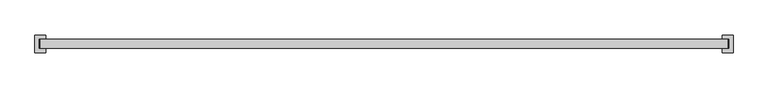
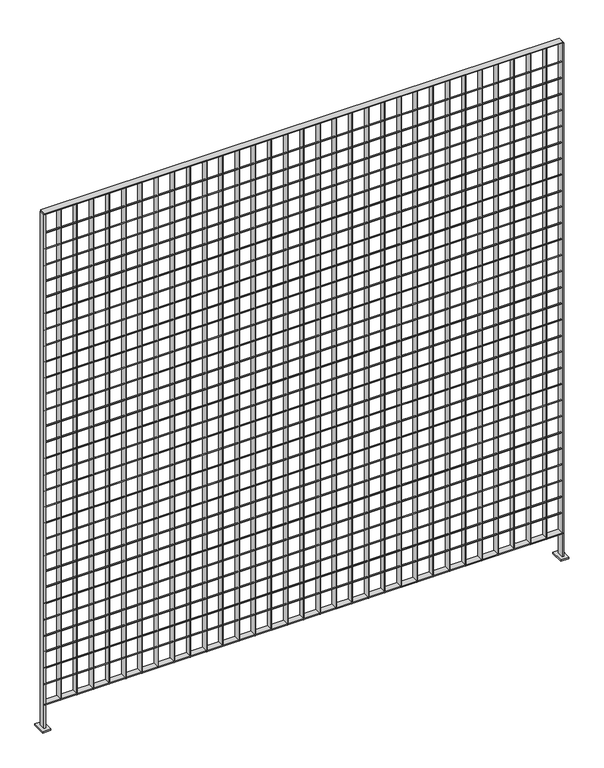
"""IFC4 building model written with IfcOpenShell, lengths in millimetres: railing geometry."""

from ifc_helpers import new_model, si_unit, point, frame, frame_2d, origin, place, context, project, spatial, polyline, circle_curve, trimmed, segment, composite_curve, outline, extrude, source, transform, mapped, element, save


def railing_5c856456(model_context):
    return source(origin(), model_context, "Body", "SweptSolid", [
        extrude(outline(polyline([(-15096.6859548, -1094.0014627), (-15096.6859548, -1068.6014627), (-13115.4859548, -1068.6014627), (-13115.4859548, -1094.0014627), (-15096.6859548, -1094.0014627)])), frame((0.0, 0.0, 7718.510725), z_axis=(0.0, 0.0, 1.0), x_axis=(1.0, 0.0, 0.0)), (0.0, 0.0, 1.0), 3.7973),
        extrude(outline(composite_curve([segment(trimmed(circle_curve(frame_2d((-1087.6514627, 7800.18125)), 2.0574), [point((-1085.5940627, 7800.18125))], [point((-1089.7088627, 7800.18125))], False, "CARTESIAN"), True, "CONTINUOUS"), segment(trimmed(circle_curve(frame_2d((-1087.6514627, 7800.18125)), 2.0574), [point((-1089.7088627, 7800.18125))], [point((-1085.5940627, 7800.18125))], False, "CARTESIAN"), True, "CONTINUOUS")], self_intersect=False)), frame((-15096.6859548, 0.0, 0.0), z_axis=(1.0, 0.0, 0.0), x_axis=(0.0, 1.0, 0.0)), (0.0, 0.0, 1.0), 1981.2),
        extrude(outline(composite_curve([segment(trimmed(circle_curve(frame_2d((-1087.6514627, 7865.26875)), 2.0574), [point((-1085.5940627, 7865.26875))], [point((-1089.7088627, 7865.26875))], False, "CARTESIAN"), True, "CONTINUOUS"), segment(trimmed(circle_curve(frame_2d((-1087.6514627, 7865.26875)), 2.0574), [point((-1089.7088627, 7865.26875))], [point((-1085.5940627, 7865.26875))], False, "CARTESIAN"), True, "CONTINUOUS")], self_intersect=False)), frame((-15096.6859548, 0.0, 0.0), z_axis=(1.0, 0.0, 0.0), x_axis=(0.0, 1.0, 0.0)), (0.0, 0.0, 1.0), 1981.2),
        extrude(outline(composite_curve([segment(trimmed(circle_curve(frame_2d((-1087.6514627, 7930.35625)), 2.0574), [point((-1085.5940627, 7930.35625))], [point((-1089.7088627, 7930.35625))], False, "CARTESIAN"), True, "CONTINUOUS"), segment(trimmed(circle_curve(frame_2d((-1087.6514627, 7930.35625)), 2.0574), [point((-1089.7088627, 7930.35625))], [point((-1085.5940627, 7930.35625))], False, "CARTESIAN"), True, "CONTINUOUS")], self_intersect=False)), frame((-15096.6859548, 0.0, 0.0), z_axis=(1.0, 0.0, 0.0), x_axis=(0.0, 1.0, 0.0)), (0.0, 0.0, 1.0), 1981.2),
        extrude(outline(composite_curve([segment(trimmed(circle_curve(frame_2d((-1087.6514627, 7995.44375)), 2.0574), [point((-1085.5940627, 7995.44375))], [point((-1089.7088627, 7995.44375))], False, "CARTESIAN"), True, "CONTINUOUS"), segment(trimmed(circle_curve(frame_2d((-1087.6514627, 7995.44375)), 2.0574), [point((-1089.7088627, 7995.44375))], [point((-1085.5940627, 7995.44375))], False, "CARTESIAN"), True, "CONTINUOUS")], self_intersect=False)), frame((-15096.6859548, 0.0, 0.0), z_axis=(1.0, 0.0, 0.0), x_axis=(0.0, 1.0, 0.0)), (0.0, 0.0, 1.0), 1981.2),
        extrude(outline(composite_curve([segment(trimmed(circle_curve(frame_2d((-1087.6514627, 8060.53125)), 2.0574), [point((-1085.5940627, 8060.53125))], [point((-1089.7088627, 8060.53125))], False, "CARTESIAN"), True, "CONTINUOUS"), segment(trimmed(circle_curve(frame_2d((-1087.6514627, 8060.53125)), 2.0574), [point((-1089.7088627, 8060.53125))], [point((-1085.5940627, 8060.53125))], False, "CARTESIAN"), True, "CONTINUOUS")], self_intersect=False)), frame((-15096.6859548, 0.0, 0.0), z_axis=(1.0, 0.0, 0.0), x_axis=(0.0, 1.0, 0.0)), (0.0, 0.0, 1.0), 1981.2),
        extrude(outline(composite_curve([segment(trimmed(circle_curve(frame_2d((-1087.6514627, 8125.61875)), 2.0574), [point((-1085.5940627, 8125.61875))], [point((-1089.7088627, 8125.61875))], False, "CARTESIAN"), True, "CONTINUOUS"), segment(trimmed(circle_curve(frame_2d((-1087.6514627, 8125.61875)), 2.0574), [point((-1089.7088627, 8125.61875))], [point((-1085.5940627, 8125.61875))], False, "CARTESIAN"), True, "CONTINUOUS")], self_intersect=False)), frame((-15096.6859548, 0.0, 0.0), z_axis=(1.0, 0.0, 0.0), x_axis=(0.0, 1.0, 0.0)), (0.0, 0.0, 1.0), 1981.2),
        extrude(outline(composite_curve([segment(trimmed(circle_curve(frame_2d((-1087.6514627, 8190.70625)), 2.0574), [point((-1085.5940627, 8190.70625))], [point((-1089.7088627, 8190.70625))], False, "CARTESIAN"), True, "CONTINUOUS"), segment(trimmed(circle_curve(frame_2d((-1087.6514627, 8190.70625)), 2.0574), [point((-1089.7088627, 8190.70625))], [point((-1085.5940627, 8190.70625))], False, "CARTESIAN"), True, "CONTINUOUS")], self_intersect=False)), frame((-15096.6859548, 0.0, 0.0), z_axis=(1.0, 0.0, 0.0), x_axis=(0.0, 1.0, 0.0)), (0.0, 0.0, 1.0), 1981.2),
        extrude(outline(composite_curve([segment(trimmed(circle_curve(frame_2d((-1087.6514627, 8255.79375)), 2.0574), [point((-1085.5940627, 8255.79375))], [point((-1089.7088627, 8255.79375))], False, "CARTESIAN"), True, "CONTINUOUS"), segment(trimmed(circle_curve(frame_2d((-1087.6514627, 8255.79375)), 2.0574), [point((-1089.7088627, 8255.79375))], [point((-1085.5940627, 8255.79375))], False, "CARTESIAN"), True, "CONTINUOUS")], self_intersect=False)), frame((-15096.6859548, 0.0, 0.0), z_axis=(1.0, 0.0, 0.0), x_axis=(0.0, 1.0, 0.0)), (0.0, 0.0, 1.0), 1981.2),
        extrude(outline(composite_curve([segment(trimmed(circle_curve(frame_2d((-1087.6514627, 8320.88125)), 2.0574), [point((-1085.5940627, 8320.88125))], [point((-1089.7088627, 8320.88125))], False, "CARTESIAN"), True, "CONTINUOUS"), segment(trimmed(circle_curve(frame_2d((-1087.6514627, 8320.88125)), 2.0574), [point((-1089.7088627, 8320.88125))], [point((-1085.5940627, 8320.88125))], False, "CARTESIAN"), True, "CONTINUOUS")], self_intersect=False)), frame((-15096.6859548, 0.0, 0.0), z_axis=(1.0, 0.0, 0.0), x_axis=(0.0, 1.0, 0.0)), (0.0, 0.0, 1.0), 1981.2),
        extrude(outline(composite_curve([segment(trimmed(circle_curve(frame_2d((-1087.6514627, 8385.96875)), 2.0574), [point((-1085.5940627, 8385.96875))], [point((-1089.7088627, 8385.96875))], False, "CARTESIAN"), True, "CONTINUOUS"), segment(trimmed(circle_curve(frame_2d((-1087.6514627, 8385.96875)), 2.0574), [point((-1089.7088627, 8385.96875))], [point((-1085.5940627, 8385.96875))], False, "CARTESIAN"), True, "CONTINUOUS")], self_intersect=False)), frame((-15096.6859548, 0.0, 0.0), z_axis=(1.0, 0.0, 0.0), x_axis=(0.0, 1.0, 0.0)), (0.0, 0.0, 1.0), 1981.2),
        extrude(outline(composite_curve([segment(trimmed(circle_curve(frame_2d((-1087.6514627, 8451.05625)), 2.0574), [point((-1085.5940627, 8451.05625))], [point((-1089.7088627, 8451.05625))], False, "CARTESIAN"), True, "CONTINUOUS"), segment(trimmed(circle_curve(frame_2d((-1087.6514627, 8451.05625)), 2.0574), [point((-1089.7088627, 8451.05625))], [point((-1085.5940627, 8451.05625))], False, "CARTESIAN"), True, "CONTINUOUS")], self_intersect=False)), frame((-15096.6859548, 0.0, 0.0), z_axis=(1.0, 0.0, 0.0), x_axis=(0.0, 1.0, 0.0)), (0.0, 0.0, 1.0), 1981.2),
        extrude(outline(composite_curve([segment(trimmed(circle_curve(frame_2d((-1087.6514627, 8515.35)), 2.0574), [point((-1085.5940627, 8515.35))], [point((-1089.7088627, 8515.35))], False, "CARTESIAN"), True, "CONTINUOUS"), segment(trimmed(circle_curve(frame_2d((-1087.6514627, 8515.35)), 2.0574), [point((-1089.7088627, 8515.35))], [point((-1085.5940627, 8515.35))], False, "CARTESIAN"), True, "CONTINUOUS")], self_intersect=False)), frame((-15096.6859548, 0.0, 0.0), z_axis=(1.0, 0.0, 0.0), x_axis=(0.0, 1.0, 0.0)), (0.0, 0.0, 1.0), 1981.2),
        extrude(outline(composite_curve([segment(trimmed(circle_curve(frame_2d((-1087.6514627, 8581.23125)), 2.0574), [point((-1085.5940627, 8581.23125))], [point((-1089.7088627, 8581.23125))], False, "CARTESIAN"), True, "CONTINUOUS"), segment(trimmed(circle_curve(frame_2d((-1087.6514627, 8581.23125)), 2.0574), [point((-1089.7088627, 8581.23125))], [point((-1085.5940627, 8581.23125))], False, "CARTESIAN"), True, "CONTINUOUS")], self_intersect=False)), frame((-15096.6859548, 0.0, 0.0), z_axis=(1.0, 0.0, 0.0), x_axis=(0.0, 1.0, 0.0)), (0.0, 0.0, 1.0), 1981.2),
        extrude(outline(composite_curve([segment(trimmed(circle_curve(frame_2d((-1087.6514627, 8646.31875)), 2.0574), [point((-1085.5940627, 8646.31875))], [point((-1089.7088627, 8646.31875))], False, "CARTESIAN"), True, "CONTINUOUS"), segment(trimmed(circle_curve(frame_2d((-1087.6514627, 8646.31875)), 2.0574), [point((-1089.7088627, 8646.31875))], [point((-1085.5940627, 8646.31875))], False, "CARTESIAN"), True, "CONTINUOUS")], self_intersect=False)), frame((-15096.6859548, 0.0, 0.0), z_axis=(1.0, 0.0, 0.0), x_axis=(0.0, 1.0, 0.0)), (0.0, 0.0, 1.0), 1981.2),
        extrude(outline(composite_curve([segment(trimmed(circle_curve(frame_2d((-1087.6514627, 8711.40625)), 2.0574), [point((-1085.5940627, 8711.40625))], [point((-1089.7088627, 8711.40625))], False, "CARTESIAN"), True, "CONTINUOUS"), segment(trimmed(circle_curve(frame_2d((-1087.6514627, 8711.40625)), 2.0574), [point((-1089.7088627, 8711.40625))], [point((-1085.5940627, 8711.40625))], False, "CARTESIAN"), True, "CONTINUOUS")], self_intersect=False)), frame((-15096.6859548, 0.0, 0.0), z_axis=(1.0, 0.0, 0.0), x_axis=(0.0, 1.0, 0.0)), (0.0, 0.0, 1.0), 1981.2),
        extrude(outline(composite_curve([segment(trimmed(circle_curve(frame_2d((-1087.6514627, 8776.49375)), 2.0574), [point((-1085.5940627, 8776.49375))], [point((-1089.7088627, 8776.49375))], False, "CARTESIAN"), True, "CONTINUOUS"), segment(trimmed(circle_curve(frame_2d((-1087.6514627, 8776.49375)), 2.0574), [point((-1089.7088627, 8776.49375))], [point((-1085.5940627, 8776.49375))], False, "CARTESIAN"), True, "CONTINUOUS")], self_intersect=False)), frame((-15096.6859548, 0.0, 0.0), z_axis=(1.0, 0.0, 0.0), x_axis=(0.0, 1.0, 0.0)), (0.0, 0.0, 1.0), 1981.2),
        extrude(outline(composite_curve([segment(trimmed(circle_curve(frame_2d((-1087.6514627, 8841.58125)), 2.0574), [point((-1085.5940627, 8841.58125))], [point((-1089.7088627, 8841.58125))], False, "CARTESIAN"), True, "CONTINUOUS"), segment(trimmed(circle_curve(frame_2d((-1087.6514627, 8841.58125)), 2.0574), [point((-1089.7088627, 8841.58125))], [point((-1085.5940627, 8841.58125))], False, "CARTESIAN"), True, "CONTINUOUS")], self_intersect=False)), frame((-15096.6859548, 0.0, 0.0), z_axis=(1.0, 0.0, 0.0), x_axis=(0.0, 1.0, 0.0)), (0.0, 0.0, 1.0), 1981.2),
        extrude(outline(composite_curve([segment(trimmed(circle_curve(frame_2d((-1087.6514627, 8906.66875)), 2.0574), [point((-1085.5940627, 8906.66875))], [point((-1089.7088627, 8906.66875))], False, "CARTESIAN"), True, "CONTINUOUS"), segment(trimmed(circle_curve(frame_2d((-1087.6514627, 8906.66875)), 2.0574), [point((-1089.7088627, 8906.66875))], [point((-1085.5940627, 8906.66875))], False, "CARTESIAN"), True, "CONTINUOUS")], self_intersect=False)), frame((-15096.6859548, 0.0, 0.0), z_axis=(1.0, 0.0, 0.0), x_axis=(0.0, 1.0, 0.0)), (0.0, 0.0, 1.0), 1981.2),
        extrude(outline(composite_curve([segment(trimmed(circle_curve(frame_2d((-1087.6514627, 8971.75625)), 2.0574), [point((-1085.5940627, 8971.75625))], [point((-1089.7088627, 8971.75625))], False, "CARTESIAN"), True, "CONTINUOUS"), segment(trimmed(circle_curve(frame_2d((-1087.6514627, 8971.75625)), 2.0574), [point((-1089.7088627, 8971.75625))], [point((-1085.5940627, 8971.75625))], False, "CARTESIAN"), True, "CONTINUOUS")], self_intersect=False)), frame((-15096.6859548, 0.0, 0.0), z_axis=(1.0, 0.0, 0.0), x_axis=(0.0, 1.0, 0.0)), (0.0, 0.0, 1.0), 1981.2),
        extrude(outline(composite_curve([segment(trimmed(circle_curve(frame_2d((-1087.6514627, 9036.84375)), 2.0574), [point((-1085.5940627, 9036.84375))], [point((-1089.7088627, 9036.84375))], False, "CARTESIAN"), True, "CONTINUOUS"), segment(trimmed(circle_curve(frame_2d((-1087.6514627, 9036.84375)), 2.0574), [point((-1089.7088627, 9036.84375))], [point((-1085.5940627, 9036.84375))], False, "CARTESIAN"), True, "CONTINUOUS")], self_intersect=False)), frame((-15096.6859548, 0.0, 0.0), z_axis=(1.0, 0.0, 0.0), x_axis=(0.0, 1.0, 0.0)), (0.0, 0.0, 1.0), 1981.2),
        extrude(outline(composite_curve([segment(trimmed(circle_curve(frame_2d((-1087.6514627, 9101.1375)), 2.0574), [point((-1085.5940627, 9101.1375))], [point((-1089.7088627, 9101.1375))], False, "CARTESIAN"), True, "CONTINUOUS"), segment(trimmed(circle_curve(frame_2d((-1087.6514627, 9101.1375)), 2.0574), [point((-1089.7088627, 9101.1375))], [point((-1085.5940627, 9101.1375))], False, "CARTESIAN"), True, "CONTINUOUS")], self_intersect=False)), frame((-15096.6859548, 0.0, 0.0), z_axis=(1.0, 0.0, 0.0), x_axis=(0.0, 1.0, 0.0)), (0.0, 0.0, 1.0), 1981.2),
        extrude(outline(composite_curve([segment(trimmed(circle_curve(frame_2d((-1087.6514627, 9167.01875)), 2.0574), [point((-1085.5940627, 9167.01875))], [point((-1089.7088627, 9167.01875))], False, "CARTESIAN"), True, "CONTINUOUS"), segment(trimmed(circle_curve(frame_2d((-1087.6514627, 9167.01875)), 2.0574), [point((-1089.7088627, 9167.01875))], [point((-1085.5940627, 9167.01875))], False, "CARTESIAN"), True, "CONTINUOUS")], self_intersect=False)), frame((-15096.6859548, 0.0, 0.0), z_axis=(1.0, 0.0, 0.0), x_axis=(0.0, 1.0, 0.0)), (0.0, 0.0, 1.0), 1981.2),
        extrude(outline(composite_curve([segment(trimmed(circle_curve(frame_2d((-1087.6514627, 9232.10625)), 2.0574), [point((-1085.5940627, 9232.10625))], [point((-1089.7088627, 9232.10625))], False, "CARTESIAN"), True, "CONTINUOUS"), segment(trimmed(circle_curve(frame_2d((-1087.6514627, 9232.10625)), 2.0574), [point((-1089.7088627, 9232.10625))], [point((-1085.5940627, 9232.10625))], False, "CARTESIAN"), True, "CONTINUOUS")], self_intersect=False)), frame((-15096.6859548, 0.0, 0.0), z_axis=(1.0, 0.0, 0.0), x_axis=(0.0, 1.0, 0.0)), (0.0, 0.0, 1.0), 1981.2),
        extrude(outline(composite_curve([segment(trimmed(circle_curve(frame_2d((-1087.6514627, 9297.19375)), 2.0574), [point((-1085.5940627, 9297.19375))], [point((-1089.7088627, 9297.19375))], False, "CARTESIAN"), True, "CONTINUOUS"), segment(trimmed(circle_curve(frame_2d((-1087.6514627, 9297.19375)), 2.0574), [point((-1089.7088627, 9297.19375))], [point((-1085.5940627, 9297.19375))], False, "CARTESIAN"), True, "CONTINUOUS")], self_intersect=False)), frame((-15096.6859548, 0.0, 0.0), z_axis=(1.0, 0.0, 0.0), x_axis=(0.0, 1.0, 0.0)), (0.0, 0.0, 1.0), 1981.2),
        extrude(outline(composite_curve([segment(trimmed(circle_curve(frame_2d((-1087.6514627, 9362.28125)), 2.0574), [point((-1085.5940627, 9362.28125))], [point((-1089.7088627, 9362.28125))], False, "CARTESIAN"), True, "CONTINUOUS"), segment(trimmed(circle_curve(frame_2d((-1087.6514627, 9362.28125)), 2.0574), [point((-1089.7088627, 9362.28125))], [point((-1085.5940627, 9362.28125))], False, "CARTESIAN"), True, "CONTINUOUS")], self_intersect=False)), frame((-15096.6859548, 0.0, 0.0), z_axis=(1.0, 0.0, 0.0), x_axis=(0.0, 1.0, 0.0)), (0.0, 0.0, 1.0), 1981.2),
        extrude(outline(composite_curve([segment(trimmed(circle_curve(frame_2d((-1087.6514627, 9427.36875)), 2.0574), [point((-1085.5940627, 9427.36875))], [point((-1089.7088627, 9427.36875))], False, "CARTESIAN"), True, "CONTINUOUS"), segment(trimmed(circle_curve(frame_2d((-1087.6514627, 9427.36875)), 2.0574), [point((-1089.7088627, 9427.36875))], [point((-1085.5940627, 9427.36875))], False, "CARTESIAN"), True, "CONTINUOUS")], self_intersect=False)), frame((-15096.6859548, 0.0, 0.0), z_axis=(1.0, 0.0, 0.0), x_axis=(0.0, 1.0, 0.0)), (0.0, 0.0, 1.0), 1981.2),
        extrude(outline(composite_curve([segment(trimmed(circle_curve(frame_2d((-1087.6514627, 9492.45625)), 2.0574), [point((-1085.5940627, 9492.45625))], [point((-1089.7088627, 9492.45625))], False, "CARTESIAN"), True, "CONTINUOUS"), segment(trimmed(circle_curve(frame_2d((-1087.6514627, 9492.45625)), 2.0574), [point((-1089.7088627, 9492.45625))], [point((-1085.5940627, 9492.45625))], False, "CARTESIAN"), True, "CONTINUOUS")], self_intersect=False)), frame((-15096.6859548, 0.0, 0.0), z_axis=(1.0, 0.0, 0.0), x_axis=(0.0, 1.0, 0.0)), (0.0, 0.0, 1.0), 1981.2),
        extrude(outline(composite_curve([segment(trimmed(circle_curve(frame_2d((-1087.6514627, 9557.54375)), 2.0574), [point((-1085.5940627, 9557.54375))], [point((-1089.7088627, 9557.54375))], False, "CARTESIAN"), True, "CONTINUOUS"), segment(trimmed(circle_curve(frame_2d((-1087.6514627, 9557.54375)), 2.0574), [point((-1089.7088627, 9557.54375))], [point((-1085.5940627, 9557.54375))], False, "CARTESIAN"), True, "CONTINUOUS")], self_intersect=False)), frame((-15096.6859548, 0.0, 0.0), z_axis=(1.0, 0.0, 0.0), x_axis=(0.0, 1.0, 0.0)), (0.0, 0.0, 1.0), 1981.2),
        extrude(outline(composite_curve([segment(trimmed(circle_curve(frame_2d((-1087.6514627, 9622.63125)), 2.0574), [point((-1085.5940627, 9622.63125))], [point((-1089.7088627, 9622.63125))], False, "CARTESIAN"), True, "CONTINUOUS"), segment(trimmed(circle_curve(frame_2d((-1087.6514627, 9622.63125)), 2.0574), [point((-1089.7088627, 9622.63125))], [point((-1085.5940627, 9622.63125))], False, "CARTESIAN"), True, "CONTINUOUS")], self_intersect=False)), frame((-15096.6859548, 0.0, 0.0), z_axis=(1.0, 0.0, 0.0), x_axis=(0.0, 1.0, 0.0)), (0.0, 0.0, 1.0), 1981.2),
        extrude(outline(polyline([(-15096.6859548, -1094.0014627), (-15096.6859548, -1068.6014627), (-13115.4859548, -1068.6014627), (-13115.4859548, -1094.0014627), (-15096.6859548, -1094.0014627)])), frame((0.0, 0.0, 9700.90135), z_axis=(0.0, 0.0, 1.0), x_axis=(1.0, 0.0, 0.0)), (0.0, 0.0, 1.0), 3.7973),
        extrude(outline(polyline([(-13176.4497648, -1094.0014627), (-13178.3471448, -1094.0014627), (-13178.3471448, -1068.6014627), (-13176.4497648, -1068.6014627), (-13176.4497648, -1094.0014627)])), frame((0.0, 0.0, 7718.425), z_axis=(0.0, 0.0, 1.0), x_axis=(1.0, 0.0, 0.0)), (0.0, 0.0, 1.0), 1982.47635),
        extrude(outline(polyline([(-13238.3622648, -1094.0014627), (-13240.2596448, -1094.0014627), (-13240.2596448, -1068.6014627), (-13238.3622648, -1068.6014627), (-13238.3622648, -1094.0014627)])), frame((0.0, 0.0, 7718.425), z_axis=(0.0, 0.0, 1.0), x_axis=(1.0, 0.0, 0.0)), (0.0, 0.0, 1.0), 1982.47635),
        extrude(outline(polyline([(-13300.2747648, -1094.0014627), (-13302.1721448, -1094.0014627), (-13302.1721448, -1068.6014627), (-13300.2747648, -1068.6014627), (-13300.2747648, -1094.0014627)])), frame((0.0, 0.0, 7718.425), z_axis=(0.0, 0.0, 1.0), x_axis=(1.0, 0.0, 0.0)), (0.0, 0.0, 1.0), 1982.47635),
        extrude(outline(polyline([(-13362.1872648, -1094.0014627), (-13364.0846448, -1094.0014627), (-13364.0846448, -1068.6014627), (-13362.1872648, -1068.6014627), (-13362.1872648, -1094.0014627)])), frame((0.0, 0.0, 7718.425), z_axis=(0.0, 0.0, 1.0), x_axis=(1.0, 0.0, 0.0)), (0.0, 0.0, 1.0), 1982.47635),
        extrude(outline(polyline([(-13424.0997648, -1094.0014627), (-13425.9971448, -1094.0014627), (-13425.9971448, -1068.6014627), (-13424.0997648, -1068.6014627), (-13424.0997648, -1094.0014627)])), frame((0.0, 0.0, 7718.425), z_axis=(0.0, 0.0, 1.0), x_axis=(1.0, 0.0, 0.0)), (0.0, 0.0, 1.0), 1982.47635),
        extrude(outline(polyline([(-13486.0122648, -1094.0014627), (-13487.9096448, -1094.0014627), (-13487.9096448, -1068.6014627), (-13486.0122648, -1068.6014627), (-13486.0122648, -1094.0014627)])), frame((0.0, 0.0, 7718.425), z_axis=(0.0, 0.0, 1.0), x_axis=(1.0, 0.0, 0.0)), (0.0, 0.0, 1.0), 1982.47635),
        extrude(outline(polyline([(-13547.9247648, -1094.0014627), (-13549.8221448, -1094.0014627), (-13549.8221448, -1068.6014627), (-13547.9247648, -1068.6014627), (-13547.9247648, -1094.0014627)])), frame((0.0, 0.0, 7718.425), z_axis=(0.0, 0.0, 1.0), x_axis=(1.0, 0.0, 0.0)), (0.0, 0.0, 1.0), 1982.47635),
        extrude(outline(polyline([(-13609.8372648, -1094.0014627), (-13611.7346448, -1094.0014627), (-13611.7346448, -1068.6014627), (-13609.8372648, -1068.6014627), (-13609.8372648, -1094.0014627)])), frame((0.0, 0.0, 7718.425), z_axis=(0.0, 0.0, 1.0), x_axis=(1.0, 0.0, 0.0)), (0.0, 0.0, 1.0), 1982.47635),
        extrude(outline(polyline([(-13671.7497648, -1094.0014627), (-13673.6471448, -1094.0014627), (-13673.6471448, -1068.6014627), (-13671.7497648, -1068.6014627), (-13671.7497648, -1094.0014627)])), frame((0.0, 0.0, 7718.425), z_axis=(0.0, 0.0, 1.0), x_axis=(1.0, 0.0, 0.0)), (0.0, 0.0, 1.0), 1982.47635),
        extrude(outline(polyline([(-13733.6622648, -1094.0014627), (-13735.5596448, -1094.0014627), (-13735.5596448, -1068.6014627), (-13733.6622648, -1068.6014627), (-13733.6622648, -1094.0014627)])), frame((0.0, 0.0, 7718.425), z_axis=(0.0, 0.0, 1.0), x_axis=(1.0, 0.0, 0.0)), (0.0, 0.0, 1.0), 1982.47635),
        extrude(outline(polyline([(-13795.5747648, -1094.0014627), (-13797.4721448, -1094.0014627), (-13797.4721448, -1068.6014627), (-13795.5747648, -1068.6014627), (-13795.5747648, -1094.0014627)])), frame((0.0, 0.0, 7718.425), z_axis=(0.0, 0.0, 1.0), x_axis=(1.0, 0.0, 0.0)), (0.0, 0.0, 1.0), 1982.47635),
        extrude(outline(polyline([(-13857.4872648, -1094.0014627), (-13859.3846448, -1094.0014627), (-13859.3846448, -1068.6014627), (-13857.4872648, -1068.6014627), (-13857.4872648, -1094.0014627)])), frame((0.0, 0.0, 7718.425), z_axis=(0.0, 0.0, 1.0), x_axis=(1.0, 0.0, 0.0)), (0.0, 0.0, 1.0), 1982.47635),
        extrude(outline(polyline([(-13919.3997648, -1094.0014627), (-13921.2971448, -1094.0014627), (-13921.2971448, -1068.6014627), (-13919.3997648, -1068.6014627), (-13919.3997648, -1094.0014627)])), frame((0.0, 0.0, 7718.425), z_axis=(0.0, 0.0, 1.0), x_axis=(1.0, 0.0, 0.0)), (0.0, 0.0, 1.0), 1982.47635),
        extrude(outline(polyline([(-13981.3122648, -1094.0014627), (-13983.2096448, -1094.0014627), (-13983.2096448, -1068.6014627), (-13981.3122648, -1068.6014627), (-13981.3122648, -1094.0014627)])), frame((0.0, 0.0, 7718.425), z_axis=(0.0, 0.0, 1.0), x_axis=(1.0, 0.0, 0.0)), (0.0, 0.0, 1.0), 1982.47635),
        extrude(outline(polyline([(-14043.2247648, -1094.0014627), (-14045.1221448, -1094.0014627), (-14045.1221448, -1068.6014627), (-14043.2247648, -1068.6014627), (-14043.2247648, -1094.0014627)])), frame((0.0, 0.0, 7718.425), z_axis=(0.0, 0.0, 1.0), x_axis=(1.0, 0.0, 0.0)), (0.0, 0.0, 1.0), 1982.47635),
        extrude(outline(polyline([(-14105.1372648, -1094.0014627), (-14107.0346448, -1094.0014627), (-14107.0346448, -1068.6014627), (-14105.1372648, -1068.6014627), (-14105.1372648, -1094.0014627)])), frame((0.0, 0.0, 7718.425), z_axis=(0.0, 0.0, 1.0), x_axis=(1.0, 0.0, 0.0)), (0.0, 0.0, 1.0), 1982.47635),
        extrude(outline(polyline([(-14167.0497648, -1094.0014627), (-14168.9471448, -1094.0014627), (-14168.9471448, -1068.6014627), (-14167.0497648, -1068.6014627), (-14167.0497648, -1094.0014627)])), frame((0.0, 0.0, 7718.425), z_axis=(0.0, 0.0, 1.0), x_axis=(1.0, 0.0, 0.0)), (0.0, 0.0, 1.0), 1982.47635),
        extrude(outline(polyline([(-14228.9622648, -1094.0014627), (-14230.8596448, -1094.0014627), (-14230.8596448, -1068.6014627), (-14228.9622648, -1068.6014627), (-14228.9622648, -1094.0014627)])), frame((0.0, 0.0, 7718.425), z_axis=(0.0, 0.0, 1.0), x_axis=(1.0, 0.0, 0.0)), (0.0, 0.0, 1.0), 1982.47635),
        extrude(outline(polyline([(-14290.8747648, -1094.0014627), (-14292.7721448, -1094.0014627), (-14292.7721448, -1068.6014627), (-14290.8747648, -1068.6014627), (-14290.8747648, -1094.0014627)])), frame((0.0, 0.0, 7718.425), z_axis=(0.0, 0.0, 1.0), x_axis=(1.0, 0.0, 0.0)), (0.0, 0.0, 1.0), 1982.47635),
        extrude(outline(polyline([(-14352.7872648, -1094.0014627), (-14354.6846448, -1094.0014627), (-14354.6846448, -1068.6014627), (-14352.7872648, -1068.6014627), (-14352.7872648, -1094.0014627)])), frame((0.0, 0.0, 7718.425), z_axis=(0.0, 0.0, 1.0), x_axis=(1.0, 0.0, 0.0)), (0.0, 0.0, 1.0), 1982.47635),
        extrude(outline(polyline([(-14414.6997648, -1094.0014627), (-14416.5971448, -1094.0014627), (-14416.5971448, -1068.6014627), (-14414.6997648, -1068.6014627), (-14414.6997648, -1094.0014627)])), frame((0.0, 0.0, 7718.425), z_axis=(0.0, 0.0, 1.0), x_axis=(1.0, 0.0, 0.0)), (0.0, 0.0, 1.0), 1982.47635),
        extrude(outline(polyline([(-14476.6122648, -1094.0014627), (-14478.5096448, -1094.0014627), (-14478.5096448, -1068.6014627), (-14476.6122648, -1068.6014627), (-14476.6122648, -1094.0014627)])), frame((0.0, 0.0, 7718.425), z_axis=(0.0, 0.0, 1.0), x_axis=(1.0, 0.0, 0.0)), (0.0, 0.0, 1.0), 1982.47635),
        extrude(outline(polyline([(-14538.5247648, -1094.0014627), (-14540.4221448, -1094.0014627), (-14540.4221448, -1068.6014627), (-14538.5247648, -1068.6014627), (-14538.5247648, -1094.0014627)])), frame((0.0, 0.0, 7718.425), z_axis=(0.0, 0.0, 1.0), x_axis=(1.0, 0.0, 0.0)), (0.0, 0.0, 1.0), 1982.47635),
        extrude(outline(polyline([(-14600.4372648, -1094.0014627), (-14602.3346448, -1094.0014627), (-14602.3346448, -1068.6014627), (-14600.4372648, -1068.6014627), (-14600.4372648, -1094.0014627)])), frame((0.0, 0.0, 7718.425), z_axis=(0.0, 0.0, 1.0), x_axis=(1.0, 0.0, 0.0)), (0.0, 0.0, 1.0), 1982.47635),
        extrude(outline(polyline([(-14662.3497648, -1094.0014627), (-14664.2471448, -1094.0014627), (-14664.2471448, -1068.6014627), (-14662.3497648, -1068.6014627), (-14662.3497648, -1094.0014627)])), frame((0.0, 0.0, 7718.425), z_axis=(0.0, 0.0, 1.0), x_axis=(1.0, 0.0, 0.0)), (0.0, 0.0, 1.0), 1982.47635),
        extrude(outline(polyline([(-14724.2622648, -1094.0014627), (-14726.1596448, -1094.0014627), (-14726.1596448, -1068.6014627), (-14724.2622648, -1068.6014627), (-14724.2622648, -1094.0014627)])), frame((0.0, 0.0, 7718.425), z_axis=(0.0, 0.0, 1.0), x_axis=(1.0, 0.0, 0.0)), (0.0, 0.0, 1.0), 1982.47635),
        extrude(outline(polyline([(-14786.1747648, -1094.0014627), (-14788.0721448, -1094.0014627), (-14788.0721448, -1068.6014627), (-14786.1747648, -1068.6014627), (-14786.1747648, -1094.0014627)])), frame((0.0, 0.0, 7718.425), z_axis=(0.0, 0.0, 1.0), x_axis=(1.0, 0.0, 0.0)), (0.0, 0.0, 1.0), 1982.47635),
        extrude(outline(polyline([(-14848.0872648, -1094.0014627), (-14849.9846448, -1094.0014627), (-14849.9846448, -1068.6014627), (-14848.0872648, -1068.6014627), (-14848.0872648, -1094.0014627)])), frame((0.0, 0.0, 7718.425), z_axis=(0.0, 0.0, 1.0), x_axis=(1.0, 0.0, 0.0)), (0.0, 0.0, 1.0), 1982.47635),
        extrude(outline(polyline([(-14909.9997648, -1094.0014627), (-14911.8971448, -1094.0014627), (-14911.8971448, -1068.6014627), (-14909.9997648, -1068.6014627), (-14909.9997648, -1094.0014627)])), frame((0.0, 0.0, 7718.425), z_axis=(0.0, 0.0, 1.0), x_axis=(1.0, 0.0, 0.0)), (0.0, 0.0, 1.0), 1982.47635),
        extrude(outline(polyline([(-14971.9122648, -1094.0014627), (-14973.8096448, -1094.0014627), (-14973.8096448, -1068.6014627), (-14971.9122648, -1068.6014627), (-14971.9122648, -1094.0014627)])), frame((0.0, 0.0, 7718.425), z_axis=(0.0, 0.0, 1.0), x_axis=(1.0, 0.0, 0.0)), (0.0, 0.0, 1.0), 1982.47635),
        extrude(outline(polyline([(-15033.8247648, -1094.0014627), (-15035.7221448, -1094.0014627), (-15035.7221448, -1068.6014627), (-15033.8247648, -1068.6014627), (-15033.8247648, -1094.0014627)])), frame((0.0, 0.0, 7718.425), z_axis=(0.0, 0.0, 1.0), x_axis=(1.0, 0.0, 0.0)), (0.0, 0.0, 1.0), 1982.47635),
        extrude(outline(polyline([(-13118.6609548, -1068.6014627), (-13112.3109548, -1068.6014627), (-13112.3109548, -1094.0014627), (-13118.6609548, -1094.0014627), (-13118.6609548, -1068.6014627)])), frame((0.0, 0.0, 7620.0), z_axis=(0.0, 0.0, 1.0), x_axis=(1.0, 0.0, 0.0)), (0.0, 0.0, 1.0), 2080.90135),
        extrude(outline(polyline([(-13099.6109548, -1106.7014627), (-13131.3609548, -1106.7014627), (-13131.3609548, -1055.9014627), (-13099.6109548, -1055.9014627), (-13099.6109548, -1106.7014627)])), frame((0.0, 0.0, 7620.0), z_axis=(0.0, 0.0, 1.0), x_axis=(1.0, 0.0, 0.0)), (0.0, 0.0, 1.0), 6.35),
        extrude(outline(polyline([(-15099.8609548, -1068.6014627), (-15093.5109548, -1068.6014627), (-15093.5109548, -1094.0014627), (-15099.8609548, -1094.0014627), (-15099.8609548, -1068.6014627)])), frame((0.0, 0.0, 7620.0), z_axis=(0.0, 0.0, 1.0), x_axis=(1.0, 0.0, 0.0)), (0.0, 0.0, 1.0), 2080.90135),
        extrude(outline(polyline([(-15080.8109548, -1106.7014627), (-15112.5609548, -1106.7014627), (-15112.5609548, -1055.9014627), (-15080.8109548, -1055.9014627), (-15080.8109548, -1106.7014627)])), frame((0.0, 0.0, 7620.0), z_axis=(0.0, 0.0, 1.0), x_axis=(1.0, 0.0, 0.0)), (0.0, 0.0, 1.0), 6.35),
    ])


if __name__ == "__main__":
    model = new_model("IFC4")
    model_context = context("Model", 3, world=origin())
    ifc_project = project(units=[si_unit("LENGTHUNIT", "METRE", prefix="MILLI")], contexts=[model_context])
    site = spatial("IfcSite", under=ifc_project)
    building = spatial("IfcBuilding", under=site)
    placement = place(None, origin())
    railing_shape = railing_5c856456(model_context)
    element("IfcRailing", 1, at=placement, inside=building, context=model_context, shape_type="MappedRepresentation", body=[
        mapped(railing_shape, transform((0.0, 0.0, 0.0), x_axis=(1.0, 0.0, 0.0), y_axis=(0.0, 1.0, 0.0), z_axis=(0.0, 0.0, 1.0))),
    ])
    save(model, "model.ifc")
